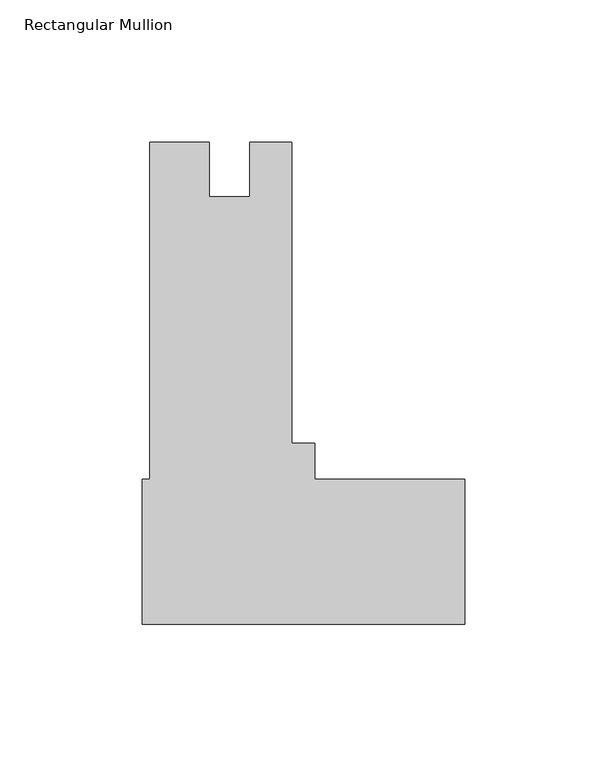
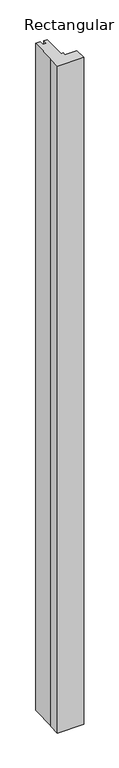
"""IFC4 building model written with IfcOpenShell, lengths in millimetres: member geometry, Rectangular Mullion."""

from ifc_helpers import new_model, si_unit, frame, origin, place, context, project, spatial, polyline, outline, extrude, source, transform, mapped, element, save


def rectangular_mullion_a317be4b(model_context):
    return source(origin(), model_context, "Body", "SweptSolid", [
        extrude(outline(polyline([(0.0, 9.525), (-113.0808, 9.525), (-113.0808, 60.325), (-110.513495, 60.325), (-110.513495, 178.59375), (-89.6346884, 178.59375), (-89.6346884, 159.5691513), (-75.321795, 159.5691513), (-75.321795, 178.5937513), (-60.729495, 178.5937513), (-60.729495, 73.025), (-52.5526, 73.025), (-52.5526, 60.325), (0.0, 60.325), (0.0, 9.525)])), frame((0.0, 0.0, -3048.0), z_axis=(0.0, 0.0, 1.0), x_axis=(1.0, 0.0, 0.0)), (0.0, 0.0, 1.0), 3048.0),
    ])


if __name__ == "__main__":
    model = new_model("IFC4")
    model_context = context("Model", 3, world=origin())
    ifc_project = project(units=[si_unit("LENGTHUNIT", "METRE", prefix="MILLI")], contexts=[model_context])
    site = spatial("IfcSite", under=ifc_project)
    building = spatial("IfcBuilding", under=site)
    placement = place(None, origin())
    rectangular_mullion_shape = rectangular_mullion_a317be4b(model_context)
    element("IfcMember", 1, ObjectType="Rectangular Mullion", at=placement, inside=building, context=model_context, shape_type="MappedRepresentation", body=[
        mapped(rectangular_mullion_shape, transform((0.0, 0.0, 0.0), x_axis=(1.0, 0.0, 0.0), y_axis=(0.0, 1.0, 0.0), z_axis=(0.0, 0.0, 1.0))),
    ])
    save(model, "model.ifc")
